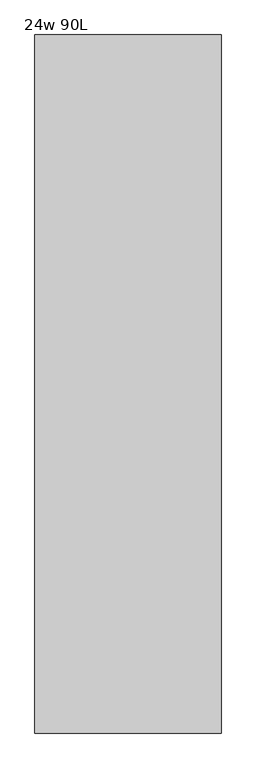
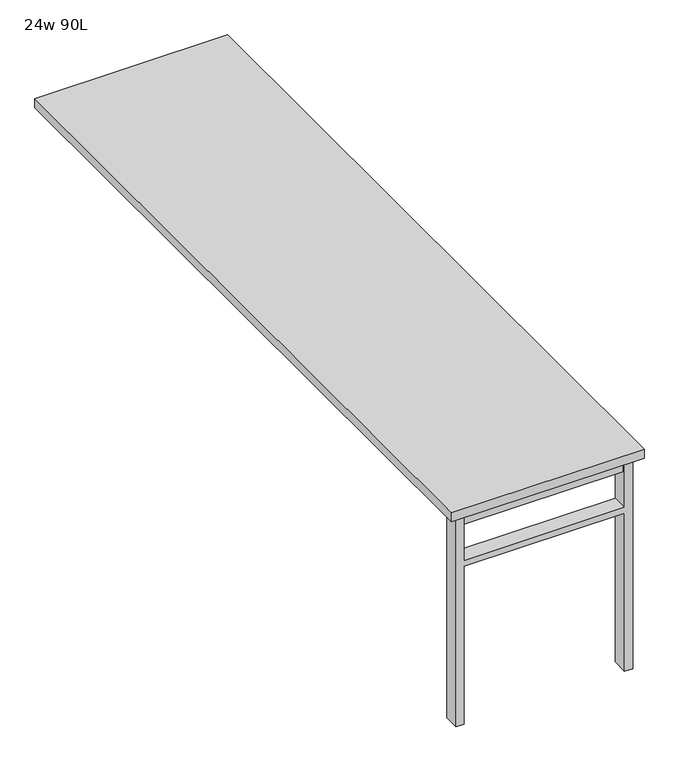
"""IFC4 building model written with IfcOpenShell, lengths in millimetres: furniture geometry, 24w 90L."""

from ifc_helpers import new_model, si_unit, frame, origin, place, context, project, spatial, polyline, outline, extrude, source, transform, mapped, element, save


def furniture_24w_90l_56954599(model_context):
    return source(origin(), model_context, "Body", "SweptSolid", [
        extrude(outline(polyline([(-254.0, -1082.675), (254.0, -1082.675), (254.0, -1114.425), (-254.0, -1114.425), (-254.0, -1082.675)])), frame((0.0, 0.0, 661.9875), z_axis=(0.0, 0.0, 1.0), x_axis=(1.0, 0.0, 0.0)), (0.0, 0.0, 1.0), 44.45),
        extrude(outline(polyline([(528.6375, 254.0), (0.0, 254.0), (0.0, 279.4), (706.4375, 279.4), (706.4375, 254.0), (547.6875, 254.0), (547.6875, -254.0), (706.4375, -254.0), (706.4375, -279.4), (0.0, -279.4), (0.0, -254.0), (528.6375, -254.0), (528.6375, 254.0)])), frame((0.0, -1123.95, 0.0), z_axis=(0.0, 1.0, 0.0), x_axis=(0.0, 0.0, 1.0)), (0.0, 0.0, 1.0), 50.8),
        extrude(outline(polyline([(-304.8, -1143.0), (-304.8, 1143.0), (304.8, 1143.0), (304.8, -1143.0), (-304.8, -1143.0)])), frame((0.0, 0.0, 706.4375), z_axis=(0.0, 0.0, 1.0), x_axis=(1.0, 0.0, 0.0)), (0.0, 0.0, 1.0), 30.1625),
    ])


if __name__ == "__main__":
    model = new_model("IFC4")
    model_context = context("Model", 3, world=origin())
    ifc_project = project(units=[si_unit("LENGTHUNIT", "METRE", prefix="MILLI")], contexts=[model_context])
    site = spatial("IfcSite", under=ifc_project)
    building = spatial("IfcBuilding", under=site)
    placement = place(None, origin())
    furniture_24w_90l_shape = furniture_24w_90l_56954599(model_context)
    element("IfcFurniture", 1, ObjectType="24w 90L", at=placement, inside=building, context=model_context, shape_type="MappedRepresentation", body=[
        mapped(furniture_24w_90l_shape, transform((0.0, 0.0, 0.0), x_axis=(1.0, 0.0, 0.0), y_axis=(0.0, 1.0, 0.0), z_axis=(0.0, 0.0, 1.0))),
    ])
    save(model, "model.ifc")
